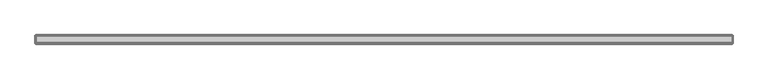
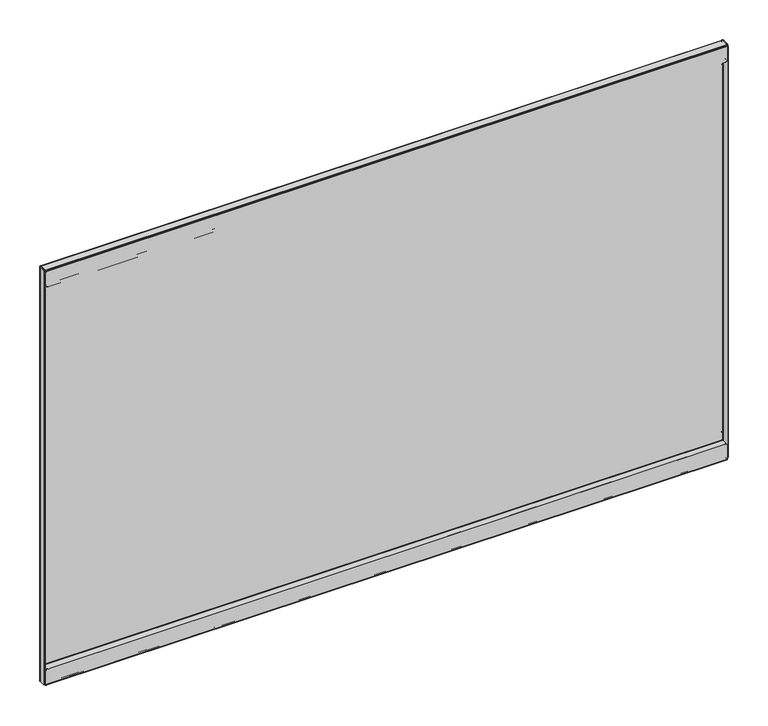
"""IFC4 building model written with IfcOpenShell, lengths in millimetres: furniture geometry."""

from ifc_helpers import new_model, si_unit, origin, place, context, project, spatial, triangles, source, transform, mapped, element, save


def furniture_04f7b326(model_context):
    return source(origin(), model_context, "Body", "Tessellation", [
        triangles([(36.8807998, -16.4083996, 61.8998009), (36.8807998, -15.6717996, 61.8998009), (36.1188005, -15.6717996, 61.695621), (36.1188005, -16.4083996, 61.695621), (35.5609767, -15.6717996, 61.1378016), (35.5609767, -16.4083996, 61.1378016), (35.356799, -15.6717996, 60.3757978), (35.356799, -16.4083996, 60.3757978), (35.356799, -16.4083996, 49.9364005), (35.356799, -15.6717996, 49.9364005), (35.356799, -15.8691713, 49.1997994), (35.356799, -16.5070854, 49.5681), (35.356799, -16.4083996, 48.66057), (35.356799, -16.7767001, 49.2984852), (35.356799, -17.1449995, 49.1997994), (35.356799, -17.1449995, 48.4631983), (1031.4940155, -15.6717996, 49.9364005), (1031.4940155, -15.8691713, 49.1997994), (1031.4940155, -16.4083996, 48.66057), (1031.4940155, -17.1449995, 48.4631983), (1029.9699806, -16.4083996, 61.8998009), (1029.9699806, -15.6717996, 61.8998009), (1030.7319981, -15.6717996, 61.695621), (1030.7319981, -16.4083996, 61.695621), (1031.2898129, -15.6717996, 61.1378016), (1031.2898129, -16.4083996, 61.1378016), (1031.4940155, -15.6717996, 60.3757978), (1031.4940155, -16.4083996, 60.3757978), (1031.4940155, -16.4083996, 49.9364005), (1031.4940155, -16.5070854, 49.5681), (1031.4940155, -16.7767001, 49.2984852), (1031.4940155, -17.1449995, 49.1997994), (35.356799, -25.4253989, 49.1997994), (35.356799, -25.4253989, 48.4631983), (35.356799, -25.7936995, 48.3645125), (35.356799, -26.162, 49.0024277), (35.356799, -26.0633142, 48.0948977), (35.356799, -26.7012295, 48.4631983), (35.356799, -26.162, 47.7266017), (35.356799, -26.8985989, 47.7266017), (1031.4940155, -25.4253989, 48.4631983), (1031.4940155, -25.7936995, 48.3645125), (1031.4940155, -26.0633142, 48.0948977), (1031.4940155, -26.162, 47.7266017), (1031.4940155, -25.4253989, 49.1997994), (1031.4940155, -26.162, 49.0024277), (1031.4940155, -26.7012295, 48.4631983), (1031.4940155, -26.8985989, 47.7266017), (35.356799, -26.162, 27.8130007), (35.356799, -26.8985989, 27.8130007), (35.356799, -26.0633142, 27.4447002), (35.356799, -26.7012295, 27.0763996), (35.356799, -26.162, 26.5371724), (35.356799, -25.7936995, 27.1750854), (35.356799, -25.4253989, 26.3398008), (35.356799, -25.4253989, 27.0763996), (1031.4940155, -26.8985989, 27.8130007), (1031.4940155, -26.7012295, 27.0763996), (1031.4940155, -26.162, 26.5371724), (1031.4940155, -25.4253989, 26.3398008), (1031.4940155, -26.162, 27.8130007), (1031.4940155, -26.0633142, 27.4447002), (1031.4940155, -25.7936995, 27.1750854), (1031.4940155, -25.4253989, 27.0763996), (35.356799, -16.4083996, 27.8130007), (35.356799, -15.6717996, 27.8130007), (35.356799, -15.8691713, 27.0763996), (35.356799, -16.5070854, 27.4447002), (35.356799, -16.7767001, 27.1750854), (35.356799, -16.4083996, 26.5371724), (35.356799, -17.1449995, 27.0763996), (35.356799, -17.1449995, 26.3398008), (1031.4940155, -15.6717996, 27.8130007), (1031.4940155, -15.8691713, 27.0763996), (1031.4940155, -16.4083996, 26.5371724), (1031.4940155, -17.1449995, 26.3398008), (1031.4940155, -16.4083996, 27.8130007), (1031.4940155, -16.5070854, 27.4447002), (1031.4940155, -16.7767001, 27.1750854), (1031.4940155, -17.1449995, 27.0763996), (35.356799, -16.4083996, 34.3408), (35.356799, -15.6717996, 34.3408), (35.5609767, -15.6717996, 35.1027992), (35.5609767, -16.4083996, 35.1027992), (36.1188005, -15.6717996, 35.6606231), (36.1188005, -16.4083996, 35.6606231), (36.8807998, -15.6717996, 35.8648008), (36.8807998, -16.4083996, 35.8648008), (1031.4940155, -16.4083996, 34.3408), (1031.2898129, -16.4083996, 35.1027992), (1030.7319981, -16.4083996, 35.6606231), (1029.9699806, -16.4083996, 35.8648008), (1031.4940155, -15.6717996, 34.3408), (1031.2898129, -15.6717996, 35.1027992), (1030.7319981, -15.6717996, 35.6606231), (1029.9699806, -15.6717996, 35.8648008), (36.1188005, -16.4083996, 630.9115625), (36.1188005, -15.6717996, 630.9115625), (36.8807998, -15.6717996, 630.7074326), (36.8807998, -16.4083996, 630.7074326), (35.5609767, -16.4083996, 631.4693773), (35.5609767, -15.6717996, 631.4693773), (35.356799, -16.4083996, 632.2313948), (35.356799, -15.6717996, 632.2313948), (35.356799, -16.5070854, 643.0390926), (35.356799, -15.8691713, 643.4073841), (35.356799, -16.4083996, 642.6708012), (35.356799, -15.6717996, 642.6708012), (35.356799, -16.7767001, 643.3086983), (35.356799, -16.4083996, 643.9465954), (35.356799, -17.1449995, 643.4073841), (35.356799, -17.1449995, 644.1439671), (1031.4940155, -15.8691713, 643.4073841), (1031.4940155, -15.6717996, 642.6708012), (1031.4940155, -16.4083996, 643.9465954), (1031.4940155, -17.1449995, 644.1439671), (1030.7319981, -16.4083996, 630.9115625), (1030.7319981, -15.6717996, 630.9115625), (1029.9699806, -15.6717996, 630.7074326), (1029.9699806, -16.4083996, 630.7074326), (1031.2898129, -16.4083996, 631.4693773), (1031.2898129, -15.6717996, 631.4693773), (1031.4940155, -16.4083996, 632.2313948), (1031.4940155, -15.6717996, 632.2313948), (1031.4940155, -16.5070854, 643.0390926), (1031.4940155, -16.4083996, 642.6708012), (1031.4940155, -16.7767001, 643.3086983), (1031.4940155, -17.1449995, 643.4073841), (35.356799, -26.162, 643.6047558), (35.356799, -25.7936995, 644.2426529), (35.356799, -25.4253989, 644.1439671), (35.356799, -25.4253989, 643.4073841), (35.356799, -26.7012295, 644.1439671), (35.356799, -26.0633142, 644.5123312), (35.356799, -26.8985989, 644.8806227), (35.356799, -26.162, 644.8806227), (1031.4940155, -25.7936995, 644.2426529), (1031.4940155, -25.4253989, 644.1439671), (1031.4940155, -26.0633142, 644.5123312), (1031.4940155, -26.162, 644.8806227), (1031.4940155, -26.162, 643.6047558), (1031.4940155, -25.4253989, 643.4073841), (1031.4940155, -26.7012295, 644.1439671), (1031.4940155, -26.8985989, 644.8806227), (35.356799, -26.0633142, 665.1625242), (35.356799, -26.7012295, 665.5308157), (35.356799, -26.162, 664.7942327), (35.356799, -26.8985989, 664.7942327), (35.356799, -25.7936995, 665.4321299), (35.356799, -26.162, 666.070027), (35.356799, -25.4253989, 665.5308157), (35.356799, -25.4253989, 666.2673986), (1031.4940155, -26.7012295, 665.5308157), (1031.4940155, -26.8985989, 664.7942327), (1031.4940155, -26.162, 666.070027), (1031.4940155, -25.4253989, 666.2673986), (1031.4940155, -26.0633142, 665.1625242), (1031.4940155, -26.162, 664.7942327), (1031.4940155, -25.7936995, 665.4321299), (1031.4940155, -25.4253989, 665.5308157), (35.356799, -16.5070854, 665.1625242), (35.356799, -15.8691713, 665.5308157), (35.356799, -16.4083996, 664.7942327), (35.356799, -15.6717996, 664.7942327), (35.356799, -16.7767001, 665.4321299), (35.356799, -16.4083996, 666.070027), (35.356799, -17.1449995, 665.5308157), (35.356799, -17.1449995, 666.2673986), (1031.4940155, -15.8691713, 665.5308157), (1031.4940155, -15.6717996, 664.7942327), (1031.4940155, -16.4083996, 666.070027), (1031.4940155, -17.1449995, 666.2673986), (1031.4940155, -16.5070854, 665.1625242), (1031.4940155, -16.4083996, 664.7942327), (1031.4940155, -16.7767001, 665.4321299), (1031.4940155, -17.1449995, 665.5308157), (35.5609767, -16.4083996, 657.5044161), (35.5609767, -15.6717996, 657.5044161), (35.356799, -15.6717996, 658.2664335), (35.356799, -16.4083996, 658.2664335), (36.1188005, -16.4083996, 656.9466013), (36.1188005, -15.6717996, 656.9466013), (36.8807998, -16.4083996, 656.7423986), (36.8807998, -15.6717996, 656.7423986), (1031.2898129, -16.4083996, 657.5044161), (1031.4940155, -16.4083996, 658.2664335), (1030.7319981, -16.4083996, 656.9466013), (1029.9699806, -16.4083996, 656.7423986), (1031.2898129, -15.6717996, 657.5044161), (1031.4940155, -15.6717996, 658.2664335), (1030.7319981, -15.6717996, 656.9466013), (1029.9699806, -15.6717996, 656.7423986), (33.2994005, -24.4602007, 667.0039816), (34.0359993, -24.4602007, 667.0039816), (33.2994005, -26.0476992, 666.5786442), (34.0359993, -26.0476992, 666.5786442), (33.2994005, -27.2098308, 665.4165058), (34.0359993, -27.2098308, 665.4165058), (33.2994005, -27.6352, 663.82903), (34.0359993, -27.6352, 663.82903), (34.0359993, -16.4338, 667.0039816), (33.2994005, -16.4338, 667.0039816), (34.1380893, -16.0528004, 667.0039816), (33.500174, -15.6844998, 667.0039816), (34.416999, -15.7738884, 667.0039816), (34.0487007, -15.1359743, 667.0039816), (34.7980009, -14.9351996, 667.0039816), (34.7980009, -15.6717996, 667.0039816), (34.7980009, -16.4338, 667.0039816), (34.7980009, -16.4338, 666.2673986), (34.7980009, -27.0763996, 667.0039816), (34.7980009, -27.0763996, 666.2673986), (34.7980009, -27.4573992, 666.1652973), (34.7980009, -27.8256998, 666.8031944), (34.7980009, -27.7363112, 665.8863899), (34.7980009, -28.3742265, 666.2546814), (34.7980009, -27.8383989, 665.5053812), (34.7980009, -28.575, 665.5053812), (34.7980009, -28.575, 644.77903), (34.7980009, -27.8383989, 644.77903), (35.2233701, -27.8383989, 643.1914816), (35.2233701, -28.575, 643.1914816), (36.3854994, -27.8383989, 642.0293432), (36.3854994, -28.575, 642.0293432), (37.9730001, -27.8383989, 641.6040058), (37.9730001, -28.575, 641.6040058), (1031.4940155, -27.8383989, 644.77903), (1031.0686054, -27.8383989, 643.1914816), (1029.9064671, -27.8383989, 642.0293432), (1028.3189913, -27.8383989, 641.6040058), (1031.4940155, -28.575, 644.77903), (1031.0686054, -28.575, 643.1914816), (1029.9064671, -28.575, 642.0293432), (1028.3189913, -28.575, 641.6040058), (1031.4940155, -27.0763996, 666.2673986), (1031.4940155, -27.4573992, 666.1652973), (1031.4940155, -27.7363112, 665.8863899), (1031.4940155, -27.8383989, 665.5053812), (1031.4940155, -27.0763996, 667.0039816), (1031.4940155, -27.8256998, 666.8031944), (1031.4940155, -28.3742265, 666.2546814), (1031.4940155, -28.575, 665.5053812), (1031.4940155, -16.4338, 666.2673986), (1031.4940155, -16.4338, 667.0039816), (1031.4940155, -16.0676296, 666.9585629), (1031.4940155, -16.2476116, 666.2442896), (1031.4940155, -15.9498418, 666.0940081), (1031.4940155, -15.482014, 666.6629414), (1031.4940155, -15.7448079, 665.8308701), (1031.4940155, -15.0787819, 666.1455311), (1031.4940155, -15.6717996, 665.5053812), (1031.4940155, -14.9351996, 665.5053812), (34.7980009, -16.0676296, 666.9585629), (34.7980009, -16.2476116, 666.2442896), (34.7980009, -15.9498418, 666.0940081), (34.7980009, -15.482014, 666.6629414), (34.7980009, -15.7448079, 665.8308701), (34.7980009, -15.0787819, 666.1455311), (34.7980009, -15.6717996, 665.5053812), (34.7980009, -14.9351996, 665.5053812), (1031.4940155, -15.6717996, 27.1018), (34.7980009, -15.6717996, 27.1018), (1031.4940155, -14.9351996, 27.1018), (34.7980009, -14.9351996, 27.1018), (1031.4940155, -14.9351996, 667.0039816), (1031.4940155, -15.6717996, 667.0039816), (1032.9926159, -16.4338, 667.0039816), (1032.2560329, -16.4338, 667.0039816), (1032.1539316, -16.0528004, 667.0039816), (1032.7918287, -15.6844998, 667.0039816), (1031.8750242, -15.7738884, 667.0039816), (1032.2433157, -15.1359743, 667.0039816), (1032.2560329, -16.4338, 25.6031997), (1032.1539316, -16.0528004, 25.6031997), (1031.8750242, -15.7738884, 25.6031997), (1031.4940155, -15.6717996, 25.6031997), (1032.9926159, -16.4338, 25.6031997), (1032.7918287, -15.6844998, 25.6031997), (1032.2433157, -15.1359743, 25.6031997), (1031.4940155, -14.9351996, 25.6031997), (1031.4940155, -16.0861389, 25.6440856), (1031.4940155, -16.2570235, 26.3605889), (1031.4940155, -15.9548492, 26.5091377), (1031.4940155, -15.4918619, 25.936228), (1031.4940155, -15.7461932, 26.7734067), (1031.4940155, -15.081507, 26.4559615), (34.7980009, -16.2570235, 26.3605889), (34.7980009, -15.9548492, 26.5091377), (34.7980009, -15.7461932, 26.7734067), (34.7980009, -15.081507, 26.4559615), (34.7980009, -15.4918619, 25.936228), (34.7980009, -16.0861389, 25.6440856), (1031.4940155, -16.4338, 25.6031997), (34.7980009, -16.4338, 25.6031997), (34.7980009, -16.4338, 26.3398008), (1031.4940155, -16.4338, 26.3398008), (1031.4940155, -27.0763996, 26.3398008), (1031.4940155, -27.0763996, 25.6031997), (34.7980009, -27.0763996, 26.3398008), (34.7980009, -27.0763996, 25.6031997), (34.7980009, -27.8383989, 27.1018), (34.7980009, -28.575, 27.1018), (34.7980009, -27.7363112, 26.7208004), (34.7980009, -28.3742265, 26.3524998), (34.7980009, -27.4573992, 26.4418885), (34.7980009, -27.8256998, 25.8039755), (1031.4940155, -27.8383989, 27.1018), (1031.4940155, -27.7363112, 26.7208004), (1031.4940155, -27.4573992, 26.4418885), (1031.4940155, -28.575, 27.1018), (1031.4940155, -28.3742265, 26.3524998), (1031.4940155, -27.8256998, 25.8039755), (1032.9926159, -24.4602007, 25.6031997), (1032.2560329, -24.4602007, 25.6031997), (1032.9926159, -26.0476992, 26.0285689), (1032.2560329, -26.0476992, 26.0285689), (1032.9926159, -27.2098308, 27.1907004), (1032.2560329, -27.2098308, 27.1907004), (1032.9926159, -27.6352, 28.7781989), (1032.2560329, -27.6352, 28.7781989), (1032.2560329, -27.6352, 663.82903), (1032.2560329, -27.2098308, 665.4165058), (1032.2560329, -26.0476992, 666.5786442), (1032.2560329, -24.4602007, 667.0039816), (1032.9926159, -27.6352, 663.82903), (1032.9926159, -27.2098308, 665.4165058), (1032.9926159, -26.0476992, 666.5786442), (1032.9926159, -24.4602007, 667.0039816), (1031.4940155, -28.575, 47.8281989), (1031.4940155, -27.8383989, 47.8281989), (1028.3189913, -27.8383989, 51.0032004), (37.9730001, -27.8383989, 51.0032004), (37.9730001, -28.575, 51.0032004), (1028.3189913, -28.575, 51.0032004), (36.3854994, -27.8383989, 50.5778312), (1029.9064671, -27.8383989, 50.5778312), (35.2233701, -27.8383989, 49.4157019), (1031.0686054, -27.8383989, 49.4157019), (34.7980009, -27.8383989, 47.8281989), (36.3854994, -28.575, 50.5778312), (35.2233701, -28.575, 49.4157019), (34.7980009, -28.575, 47.8281989), (1029.9064671, -28.575, 50.5778312), (1031.0686054, -28.575, 49.4157019), (34.0359993, -27.6352, 28.7781989), (34.0359993, -27.2098308, 27.1907004), (34.0359993, -26.0476992, 26.0285689), (34.0359993, -24.4602007, 25.6031997), (33.2994005, -27.6352, 28.7781989), (33.2994005, -27.2098308, 27.1907004), (33.2994005, -26.0476992, 26.0285689), (33.2994005, -24.4602007, 25.6031997), (34.7980009, -15.6717996, 25.6031997), (34.416999, -15.7738884, 25.6031997), (34.1380893, -16.0528004, 25.6031997), (34.0359993, -16.4338, 25.6031997), (34.7980009, -14.9351996, 25.6031997), (34.0487007, -15.1359743, 25.6031997), (33.500174, -15.6844998, 25.6031997), (33.2994005, -16.4338, 25.6031997)], [[1, 2, 3], [1, 3, 4], [4, 3, 5], [4, 5, 6], [6, 5, 7], [6, 7, 8], [9, 10, 11], [9, 11, 12], [12, 11, 13], [12, 13, 14], [14, 13, 15], [13, 16, 15], [10, 17, 18], [10, 18, 11], [11, 18, 19], [11, 19, 13], [13, 19, 20], [13, 20, 16], [21, 22, 23], [21, 23, 24], [24, 23, 25], [24, 25, 26], [26, 25, 27], [26, 27, 28], [29, 17, 18], [29, 18, 30], [30, 18, 19], [30, 19, 31], [31, 19, 32], [19, 20, 32], [29, 9, 12], [29, 12, 30], [30, 12, 14], [30, 14, 31], [31, 14, 15], [31, 15, 32], [33, 34, 35], [33, 35, 36], [36, 35, 37], [36, 37, 38], [38, 37, 39], [38, 39, 40], [34, 41, 42], [34, 42, 35], [35, 42, 43], [35, 43, 37], [37, 43, 44], [37, 44, 39], [41, 45, 46], [41, 46, 42], [42, 46, 47], [42, 47, 43], [43, 47, 44], [47, 48, 44], [45, 33, 36], [45, 36, 46], [46, 36, 38], [46, 38, 47], [47, 38, 40], [47, 40, 48], [49, 50, 51], [50, 52, 51], [51, 52, 53], [51, 53, 54], [54, 53, 55], [54, 55, 56], [50, 57, 58], [50, 58, 52], [52, 58, 59], [52, 59, 53], [53, 59, 60], [53, 60, 55], [57, 61, 62], [57, 62, 58], [58, 62, 63], [58, 63, 59], [59, 63, 60], [63, 64, 60], [61, 49, 51], [61, 51, 62], [62, 51, 54], [62, 54, 63], [63, 54, 56], [63, 56, 64], [65, 66, 67], [65, 67, 68], [68, 67, 69], [67, 70, 69], [69, 70, 71], [70, 72, 71], [66, 73, 74], [66, 74, 67], [67, 74, 75], [67, 75, 70], [70, 75, 76], [70, 76, 72], [73, 77, 74], [77, 78, 74], [74, 78, 79], [74, 79, 75], [75, 79, 80], [75, 80, 76], [77, 65, 68], [77, 68, 78], [78, 68, 69], [78, 69, 79], [79, 69, 71], [79, 71, 80], [1, 21, 24], [1, 24, 4], [4, 24, 26], [4, 26, 6], [6, 26, 28], [6, 28, 8], [22, 2, 3], [22, 3, 23], [23, 3, 5], [23, 5, 25], [25, 5, 7], [25, 7, 27], [81, 82, 83], [81, 83, 84], [84, 83, 85], [84, 85, 86], [86, 85, 87], [86, 87, 88], [81, 89, 90], [81, 90, 84], [84, 90, 91], [84, 91, 86], [86, 91, 92], [86, 92, 88], [89, 93, 94], [89, 94, 90], [90, 94, 95], [90, 95, 91], [91, 95, 96], [91, 96, 92], [93, 82, 83], [93, 83, 94], [94, 83, 85], [94, 85, 95], [95, 85, 87], [95, 87, 96], [27, 17, 10], [27, 10, 7], [82, 66, 73], [82, 73, 93], [29, 17, 28], [17, 27, 28], [28, 29, 9], [28, 9, 8], [8, 7, 10], [8, 10, 9], [15, 16, 33], [16, 34, 33], [33, 45, 32], [33, 32, 15], [40, 39, 49], [40, 49, 50], [50, 40, 48], [50, 48, 57], [20, 32, 45], [20, 45, 41], [44, 48, 57], [44, 57, 61], [64, 60, 76], [64, 76, 80], [77, 73, 89], [73, 93, 89], [92, 96, 87], [92, 87, 88], [20, 41, 34], [20, 34, 16], [49, 39, 44], [49, 44, 61], [64, 80, 71], [64, 71, 56], [76, 60, 55], [76, 55, 72], [81, 82, 66], [81, 66, 65], [71, 72, 56], [72, 55, 56], [97, 98, 99], [97, 99, 100], [101, 102, 98], [101, 98, 97], [103, 104, 102], [103, 102, 101], [105, 106, 107], [106, 108, 107], [109, 110, 105], [110, 106, 105], [111, 112, 110], [111, 110, 109], [106, 113, 114], [106, 114, 108], [110, 115, 113], [110, 113, 106], [112, 116, 115], [112, 115, 110], [117, 118, 119], [117, 119, 120], [121, 122, 118], [121, 118, 117], [123, 124, 122], [123, 122, 121], [125, 113, 126], [113, 114, 126], [127, 115, 125], [115, 113, 125], [128, 116, 115], [128, 115, 127], [125, 105, 107], [125, 107, 126], [127, 109, 105], [127, 105, 125], [128, 111, 109], [128, 109, 127], [129, 130, 131], [129, 131, 132], [133, 134, 129], [134, 130, 129], [135, 136, 133], [136, 134, 133], [130, 137, 138], [130, 138, 131], [134, 139, 137], [134, 137, 130], [136, 140, 139], [136, 139, 134], [137, 141, 142], [137, 142, 138], [139, 143, 141], [139, 141, 137], [140, 144, 143], [140, 143, 139], [141, 129, 132], [141, 132, 142], [143, 133, 129], [143, 129, 141], [144, 135, 133], [144, 133, 143], [145, 146, 147], [146, 148, 147], [149, 150, 145], [150, 146, 145], [151, 152, 150], [151, 150, 149], [146, 153, 154], [146, 154, 148], [150, 155, 153], [150, 153, 146], [152, 156, 155], [152, 155, 150], [153, 157, 158], [153, 158, 154], [155, 159, 157], [155, 157, 153], [156, 160, 159], [156, 159, 155], [157, 145, 147], [157, 147, 158], [159, 149, 145], [159, 145, 157], [160, 151, 149], [160, 149, 159], [161, 162, 163], [162, 164, 163], [165, 166, 161], [166, 162, 161], [167, 168, 166], [167, 166, 165], [162, 169, 170], [162, 170, 164], [166, 171, 169], [166, 169, 162], [168, 172, 171], [168, 171, 166], [169, 173, 174], [169, 174, 170], [171, 175, 173], [171, 173, 169], [172, 176, 175], [172, 175, 171], [173, 161, 163], [173, 163, 174], [175, 165, 161], [175, 161, 173], [176, 167, 165], [176, 165, 175], [97, 117, 120], [97, 120, 100], [101, 121, 117], [101, 117, 97], [103, 123, 121], [103, 121, 101], [118, 98, 99], [118, 99, 119], [122, 102, 98], [122, 98, 118], [124, 104, 102], [124, 102, 122], [177, 178, 179], [177, 179, 180], [181, 182, 178], [181, 178, 177], [183, 184, 182], [183, 182, 181], [177, 185, 186], [177, 186, 180], [181, 187, 185], [181, 185, 177], [183, 188, 187], [183, 187, 181], [185, 189, 190], [185, 190, 186], [187, 191, 189], [187, 189, 185], [188, 192, 191], [188, 191, 187], [189, 178, 179], [189, 179, 190], [191, 182, 178], [191, 178, 189], [192, 184, 182], [192, 182, 191], [104, 108, 114], [104, 114, 124], [190, 170, 164], [190, 164, 179], [123, 124, 114], [123, 114, 126], [103, 107, 126], [103, 126, 123], [107, 108, 104], [107, 104, 103], [132, 131, 112], [132, 112, 111], [111, 128, 142], [111, 142, 132], [148, 147, 136], [148, 136, 135], [154, 144, 135], [154, 135, 148], [138, 142, 128], [138, 128, 116], [158, 154, 144], [158, 144, 140], [176, 172, 156], [176, 156, 160], [186, 190, 170], [186, 170, 174], [183, 184, 192], [183, 192, 188], [112, 131, 138], [112, 138, 116], [158, 140, 136], [158, 136, 147], [151, 167, 176], [151, 176, 160], [168, 152, 156], [168, 156, 172], [163, 164, 179], [163, 179, 180], [151, 152, 168], [151, 168, 167], [193, 194, 195], [194, 196, 195], [195, 196, 197], [196, 198, 197], [197, 198, 199], [198, 200, 199], [201, 202, 203], [202, 204, 203], [203, 204, 205], [204, 206, 205], [205, 206, 207], [205, 207, 208], [201, 202, 194], [202, 193, 194], [209, 210, 211], [210, 212, 211], [211, 212, 213], [211, 213, 214], [214, 213, 215], [214, 215, 216], [216, 215, 217], [216, 217, 218], [219, 220, 221], [219, 221, 222], [222, 221, 223], [222, 223, 224], [224, 223, 225], [224, 225, 226], [220, 227, 228], [220, 228, 221], [221, 228, 229], [221, 229, 223], [223, 229, 230], [223, 230, 225], [227, 231, 228], [231, 232, 228], [228, 232, 229], [232, 233, 229], [229, 233, 230], [233, 234, 230], [231, 219, 222], [231, 222, 232], [232, 222, 224], [232, 224, 233], [233, 224, 226], [233, 226, 234], [225, 226, 234], [225, 234, 230], [212, 235, 236], [212, 236, 213], [213, 236, 237], [213, 237, 215], [215, 237, 238], [215, 238, 217], [235, 239, 240], [235, 240, 236], [236, 240, 237], [240, 241, 237], [237, 241, 238], [241, 242, 238], [239, 211, 214], [239, 214, 240], [240, 214, 216], [240, 216, 241], [241, 216, 218], [241, 218, 242], [210, 212, 235], [210, 235, 243], [243, 244, 239], [243, 239, 235], [239, 244, 209], [239, 209, 211], [218, 217, 220], [218, 220, 219], [220, 227, 238], [220, 238, 217], [218, 219, 231], [218, 231, 242], [242, 238, 227], [242, 227, 231], [245, 246, 247], [245, 247, 248], [248, 247, 249], [248, 249, 250], [250, 249, 251], [250, 251, 252], [245, 244, 246], [244, 243, 246], [244, 245, 253], [244, 253, 209], [209, 210, 254], [209, 254, 253], [253, 254, 255], [253, 255, 256], [256, 255, 257], [256, 257, 258], [258, 257, 259], [258, 259, 260], [259, 251, 249], [259, 249, 257], [257, 249, 247], [257, 247, 255], [255, 247, 246], [255, 246, 254], [252, 260, 258], [252, 258, 250], [250, 258, 256], [250, 256, 248], [248, 256, 253], [248, 253, 245], [259, 251, 261], [259, 261, 262], [260, 252, 263], [260, 263, 264], [259, 260, 264], [259, 264, 262], [252, 251, 261], [252, 261, 263], [251, 252, 265], [251, 265, 266], [267, 268, 269], [267, 269, 270], [270, 269, 271], [270, 271, 272], [272, 271, 266], [272, 266, 265], [268, 273, 274], [268, 274, 269], [269, 274, 275], [269, 275, 271], [271, 275, 276], [271, 276, 266], [277, 273, 274], [277, 274, 278], [278, 274, 275], [278, 275, 279], [279, 275, 276], [279, 276, 280], [277, 267, 270], [277, 270, 278], [278, 270, 272], [278, 272, 279], [279, 272, 265], [279, 265, 280], [261, 263, 280], [261, 280, 276], [281, 282, 283], [281, 283, 284], [284, 283, 285], [284, 285, 286], [286, 285, 261], [286, 261, 263], [282, 287, 288], [282, 288, 283], [283, 288, 289], [283, 289, 285], [285, 289, 262], [285, 262, 261], [262, 264, 290], [262, 290, 289], [289, 290, 291], [289, 291, 288], [288, 291, 287], [291, 292, 287], [264, 263, 286], [264, 286, 290], [290, 286, 284], [290, 284, 291], [291, 284, 281], [291, 281, 292], [281, 293, 294], [281, 294, 292], [295, 287, 292], [295, 292, 294], [295, 287, 282], [295, 282, 296], [282, 296, 293], [282, 293, 281], [297, 298, 293], [297, 293, 296], [296, 295, 297], [295, 299, 297], [293, 294, 298], [294, 300, 298], [301, 302, 303], [302, 304, 303], [303, 304, 305], [304, 306, 305], [305, 306, 300], [305, 300, 299], [301, 307, 308], [301, 308, 303], [303, 308, 309], [303, 309, 305], [305, 309, 297], [305, 297, 299], [310, 302, 304], [310, 304, 311], [311, 304, 306], [311, 306, 312], [312, 306, 300], [312, 300, 298], [310, 307, 308], [310, 308, 311], [311, 308, 309], [311, 309, 312], [312, 309, 298], [309, 297, 298], [313, 314, 315], [314, 316, 315], [315, 316, 317], [316, 318, 317], [317, 318, 319], [318, 320, 319], [320, 321, 322], [320, 322, 318], [318, 322, 323], [318, 323, 316], [316, 323, 324], [316, 324, 314], [321, 325, 326], [321, 326, 322], [322, 326, 327], [322, 327, 323], [323, 327, 328], [323, 328, 324], [320, 319, 325], [320, 325, 321], [268, 324, 314], [268, 314, 273], [273, 314, 313], [273, 313, 277], [277, 313, 328], [277, 328, 267], [267, 268, 328], [268, 324, 328], [310, 307, 329], [307, 330, 329], [331, 332, 333], [331, 333, 334], [331, 332, 335], [331, 335, 336], [336, 335, 337], [336, 337, 338], [338, 337, 339], [338, 339, 330], [332, 333, 340], [332, 340, 335], [335, 340, 337], [340, 341, 337], [337, 341, 342], [337, 342, 339], [333, 334, 343], [333, 343, 340], [340, 343, 344], [340, 344, 341], [341, 344, 329], [341, 329, 342], [334, 331, 336], [334, 336, 343], [343, 336, 338], [343, 338, 344], [344, 338, 330], [344, 330, 329], [200, 345, 346], [200, 346, 198], [198, 346, 347], [198, 347, 196], [196, 347, 348], [196, 348, 194], [345, 349, 350], [345, 350, 346], [346, 350, 351], [346, 351, 347], [347, 351, 352], [347, 352, 348], [349, 199, 197], [349, 197, 350], [350, 197, 195], [350, 195, 351], [351, 195, 193], [351, 193, 352], [200, 199, 349], [200, 349, 345], [208, 207, 260], [208, 260, 259], [208, 353, 354], [208, 354, 205], [205, 354, 355], [205, 355, 203], [203, 355, 356], [203, 356, 201], [353, 357, 358], [353, 358, 354], [354, 358, 359], [354, 359, 355], [355, 359, 356], [359, 360, 356], [262, 264, 357], [262, 357, 353], [357, 207, 206], [357, 206, 358], [358, 206, 204], [358, 204, 359], [359, 204, 202], [359, 202, 360], [201, 194, 348], [201, 348, 356], [202, 193, 352], [202, 352, 360], [307, 330, 301], [330, 339, 301], [301, 302, 342], [301, 342, 339], [310, 329, 302], [329, 342, 302], [319, 325, 326], [319, 326, 317], [326, 317, 315], [326, 315, 327], [315, 327, 328], [315, 328, 313]], closed=False),
    ])


if __name__ == "__main__":
    model = new_model("IFC4")
    model_context = context("Model", 3, world=origin())
    ifc_project = project(units=[si_unit("LENGTHUNIT", "METRE", prefix="MILLI")], contexts=[model_context])
    site = spatial("IfcSite", under=ifc_project)
    building = spatial("IfcBuilding", under=site)
    placement = place(None, origin())
    furniture_shape = furniture_04f7b326(model_context)
    element("IfcFurniture", 1, at=placement, inside=building, context=model_context, shape_type="MappedRepresentation", body=[
        mapped(furniture_shape, transform((0.0, 0.0, 0.0), x_axis=(1.0, 0.0, 0.0), y_axis=(0.0, 1.0, 0.0), z_axis=(0.0, 0.0, 1.0))),
    ])
    save(model, "model.ifc")
